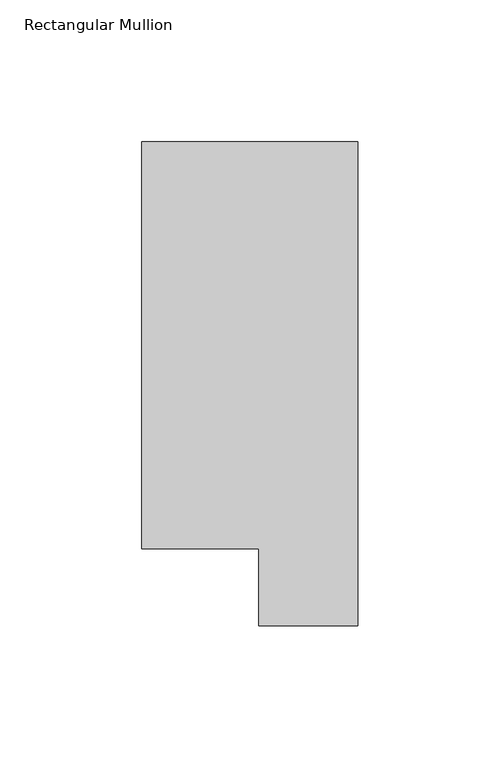
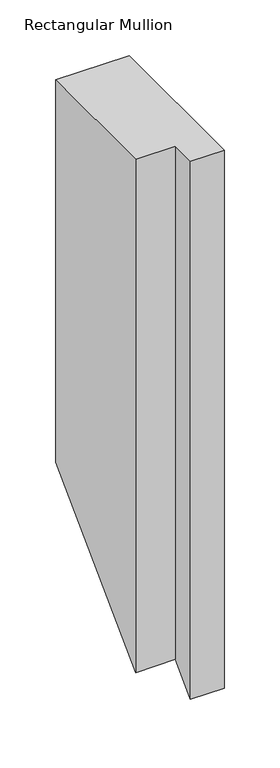
"""IFC4 building model written with IfcOpenShell, lengths in millimetres: member geometry, Rectangular Mullion."""

from ifc_helpers import new_model, si_unit, origin, place, context, project, spatial, faceted_brep, source, transform, mapped, element, save


def rectangular_mullion_134a2900(model_context):
    return source(origin(), model_context, "Body", "Brep", [
        faceted_brep([(0.0, 190.2801312, 0.0), (-76.2, 190.2801312, 0.0), (-76.2, 46.7447302, 0.0), (-34.9123, 46.7447302, 0.0), (-34.9123, 19.5667312, 0.0), (0.0, 19.5667312, 0.0), (0.0, 190.2801312, -419.2881188), (-76.2, 190.2801312, -419.2881188), (-76.2, 46.7447302, -562.8235198), (-34.9123, 46.7447302, -562.8235198), (-34.9123, 19.5667312, -590.0015188), (0.0, 19.5667312, -590.0015188)], [[[0, 1, 2, 3, 4, 5]], [[1, 0, 6, 7]], [[2, 1, 7, 8]], [[3, 2, 8, 9]], [[4, 3, 9, 10]], [[5, 4, 10, 11]], [[0, 5, 11, 6]], [[6, 11, 10, 9, 8, 7]]]),
    ])


if __name__ == "__main__":
    model = new_model("IFC4")
    model_context = context("Model", 3, world=origin())
    ifc_project = project(units=[si_unit("LENGTHUNIT", "METRE", prefix="MILLI")], contexts=[model_context])
    site = spatial("IfcSite", under=ifc_project)
    building = spatial("IfcBuilding", under=site)
    placement = place(None, origin())
    rectangular_mullion_shape = rectangular_mullion_134a2900(model_context)
    element("IfcMember", 1, ObjectType="Rectangular Mullion", at=placement, inside=building, context=model_context, shape_type="MappedRepresentation", body=[
        mapped(rectangular_mullion_shape, transform((0.0, 0.0, 0.0), x_axis=(1.0, 0.0, 0.0), y_axis=(0.0, 1.0, 0.0), z_axis=(0.0, 0.0, 1.0))),
    ])
    save(model, "model.ifc")
